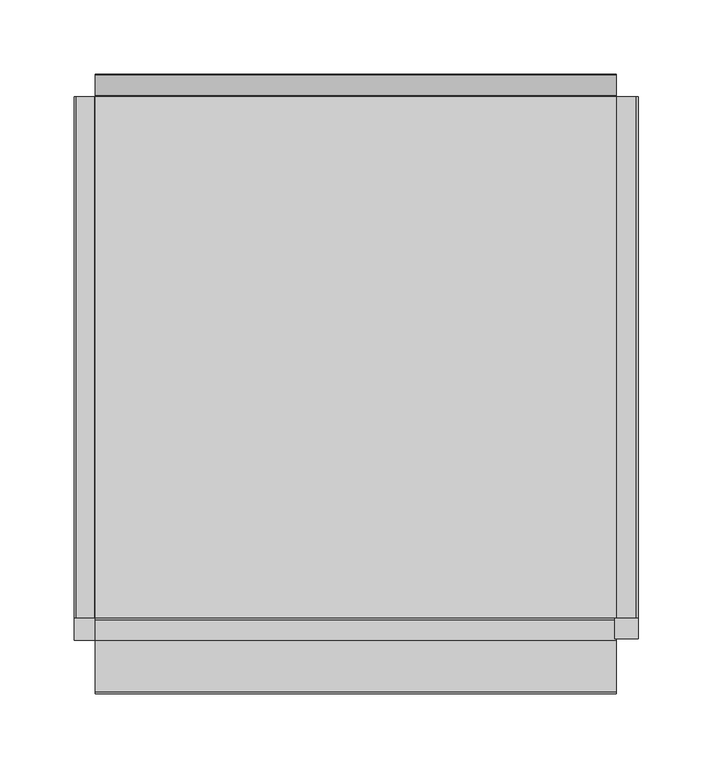
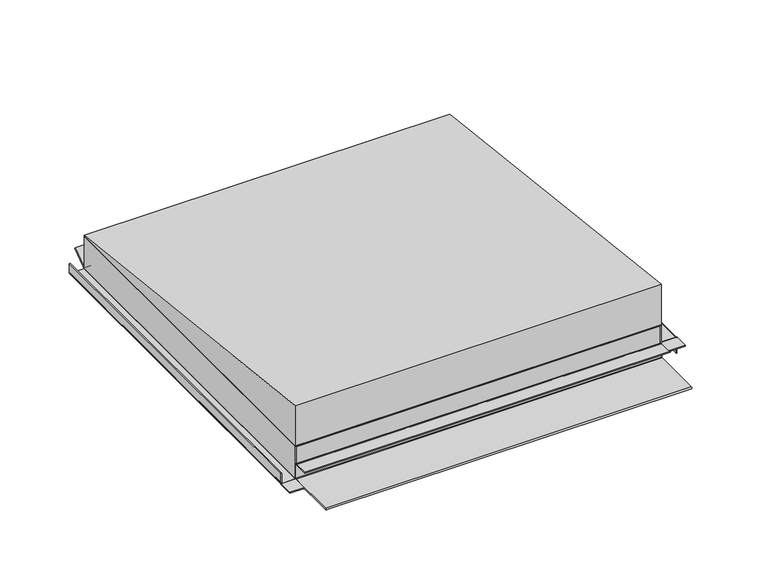
"""IFC4 building model written with IfcOpenShell, lengths in millimetres: proxy geometry."""

from ifc_helpers import new_model, si_unit, point, frame, frame_2d, origin, place, context, project, spatial, polyline, circle_curve, trimmed, segment, composite_curve, outline, extrude, faceted_brep, source, transform, mapped, element, save
from ifc_brep_helpers import plane_surface, cylinder_surface, revolved_surface, advanced_brep


def generic_models_57ceeb4e(model_context):
    return source(origin(), model_context, "Body", "SolidModel", [
        extrude(outline(composite_curve([segment(polyline([(0.33125, -187.7), (0.33125, -175.5)]), True, "CONTINUOUS"), segment(trimmed(circle_curve(frame_2d((1.63125, -175.5)), 1.3), [point((0.33125, -175.5))], [point((1.63125, -174.2))], False, "CARTESIAN"), True, "CONTINUOUS"), segment(polyline([(1.63125, -174.2), (33.33125, -174.2), (33.33125, -175.0), (1.63125, -175.0)]), True, "CONTINUOUS"), segment(trimmed(circle_curve(frame_2d((1.63125, -175.5)), 0.5), [point((1.63125, -175.0))], [point((1.13125, -175.5))], True, "CARTESIAN"), True, "CONTINUOUS"), segment(polyline([(1.13125, -175.5), (1.13125, -187.7)]), True, "CONTINUOUS"), segment(trimmed(circle_curve(frame_2d((1.63125, -187.7)), 0.5), [point((1.13125, -187.7))], [point((1.63125, -188.2))], True, "CARTESIAN"), True, "CONTINUOUS"), segment(polyline([(1.63125, -188.2), (11.33125, -188.2), (11.33125, -189.0), (1.63125, -189.0)]), True, "CONTINUOUS"), segment(trimmed(circle_curve(frame_2d((1.63125, -187.7)), 1.3), [point((1.63125, -189.0))], [point((0.33125, -187.7))], False, "CARTESIAN"), True, "CONTINUOUS")], self_intersect=False)), frame((0.0, -175.0, 0.0), z_axis=(0.0, 1.0, 0.0), x_axis=(0.0, 0.0, 1.0)), (0.0, 0.0, 1.0), 350.0),
        extrude(outline(polyline([(-189.0, -190.0), (-189.0, -175.0), (-174.2, -175.0), (-174.2, -190.0), (-189.0, -190.0)])), frame((0.0, 0.0, 0.33125), z_axis=(0.0, 0.0, 1.0), x_axis=(1.0, 0.0, 0.0)), (0.0, 0.0, 1.0), 0.8),
        extrude(outline(composite_curve([segment(polyline([(15.9, 175.5), (15.9, 188.7)]), True, "CONTINUOUS"), segment(trimmed(circle_curve(frame_2d((15.4, 188.7)), 0.5), [point((15.9, 188.7))], [point((15.4, 189.2))], True, "CARTESIAN"), True, "CONTINUOUS"), segment(polyline([(15.4, 189.2), (0.33125, 189.2), (0.33125, 190.0), (15.4, 190.0)]), True, "CONTINUOUS"), segment(trimmed(circle_curve(frame_2d((15.4, 188.7)), 1.3), [point((15.4, 190.0))], [point((16.7, 188.7))], False, "CARTESIAN"), True, "CONTINUOUS"), segment(polyline([(16.7, 188.7), (16.7, 175.5)]), True, "CONTINUOUS"), segment(trimmed(circle_curve(frame_2d((17.2, 175.5)), 0.5), [point((16.7, 175.5))], [point((17.2, 175.0))], True, "CARTESIAN"), True, "CONTINUOUS"), segment(polyline([(17.2, 175.0), (33.33125, 175.0), (33.33125, 174.2), (17.2, 174.2)]), True, "CONTINUOUS"), segment(trimmed(circle_curve(frame_2d((17.2, 175.5)), 1.3), [point((17.2, 174.2))], [point((15.9, 175.5))], False, "CARTESIAN"), True, "CONTINUOUS")], self_intersect=False)), frame((0.0, -175.0, 0.0), z_axis=(0.0, 1.0, 0.0), x_axis=(0.0, 0.0, 1.0)), (0.0, 0.0, 1.0), 350.0),
        extrude(outline(polyline([(190.0, -189.0), (174.2, -189.0), (174.2, -175.0), (190.0, -175.0), (190.0, -189.0)])), frame((0.0, 0.0, 15.9), z_axis=(0.0, 0.0, 1.0), x_axis=(1.0, 0.0, 0.0)), (0.0, 0.0, 1.0), 0.8),
        extrude(outline(composite_curve([segment(polyline([(-175.5, 0.0), (-225.15, 0.0)]), True, "CONTINUOUS"), segment(trimmed(circle_curve(frame_2d((-225.15, 0.85)), 0.85), [point((-225.15, 0.0))], [point((-225.15, 1.7))], False, "CARTESIAN"), True, "CONTINUOUS"), segment(polyline([(-225.15, 1.7), (-176.55, 1.7)]), True, "CONTINUOUS"), segment(trimmed(circle_curve(frame_2d((-176.55, 2.2)), 0.5), [point((-176.55, 1.7))], [point((-176.05, 2.2))], True, "CARTESIAN"), True, "CONTINUOUS"), segment(polyline([(-176.05, 2.2), (-176.05, 15.4)]), True, "CONTINUOUS"), segment(trimmed(circle_curve(frame_2d((-176.55, 15.4)), 0.5), [point((-176.05, 15.4))], [point((-176.55, 15.9))], True, "CARTESIAN"), True, "CONTINUOUS"), segment(polyline([(-176.55, 15.9), (-190.25, 15.9), (-190.25, 16.7), (-176.55, 16.7)]), True, "CONTINUOUS"), segment(trimmed(circle_curve(frame_2d((-176.55, 15.4)), 1.3), [point((-176.55, 16.7))], [point((-175.25, 15.4))], False, "CARTESIAN"), True, "CONTINUOUS"), segment(polyline([(-175.25, 15.4), (-175.25, 2.2)]), True, "CONTINUOUS"), segment(trimmed(circle_curve(frame_2d((-176.55, 2.2)), 1.3), [point((-175.25, 2.2))], [point((-176.55, 0.9))], False, "CARTESIAN"), True, "CONTINUOUS"), segment(polyline([(-176.55, 0.9), (-215.65, 0.9), (-175.5, 0.8)]), True, "CONTINUOUS"), segment(trimmed(circle_curve(frame_2d((-175.5, 1.3)), 0.5), [point((-175.5, 0.8))], [point((-175.0, 1.3))], True, "CARTESIAN"), True, "CONTINUOUS"), segment(polyline([(-175.0, 1.3), (-175.0, 33.0), (-174.2, 33.0), (-174.2, 1.3)]), True, "CONTINUOUS"), segment(trimmed(circle_curve(frame_2d((-175.5, 1.3)), 1.3), [point((-174.2, 1.3))], [point((-175.5, 0.0))], False, "CARTESIAN"), True, "CONTINUOUS")], self_intersect=False)), frame((-175.0, 0.0, 0.0), z_axis=(1.0, 0.0, 0.0), x_axis=(0.0, 1.0, 0.0)), (0.0, 0.0, 1.0), 350.0),
        advanced_brep(
        [(175.0, 175.0, 3.3), (175.0, 175.0, 33.0), (175.0, 174.2, 33.0), (175.0, 174.2, 3.3), (175.0, 176.4200663, 2.3815894), (175.0, 190.1302674, 12.712967), (175.0, 189.6488154, 13.3518754), (175.0, 175.8830222, 2.9786062), (-175.0, 175.0, 3.3), (-175.0, 175.8830222, 2.9786062), (-175.0, 189.6488154, 13.3518754), (-175.0, 190.1302674, 12.712967), (-175.0, 176.3644742, 2.3396978), (-175.0, 174.2, 3.3), (-175.0, 174.2, 33.0), (-175.0, 175.0, 33.0)],
        [
            (0, 1),
            (1, 2),
            (2, 3),
            (3, 4, circle_curve(frame((175.0, 175.5, 3.3), z_axis=(1.0, 0.0, 0.0), x_axis=(0.0, 1.0, 0.0)), 1.3)),
            (4, 5),
            (5, 6),
            (6, 7),
            (7, 0, circle_curve(frame((175.0, 175.5, 3.3), z_axis=(-1.0, 0.0, 0.0), x_axis=(0.0, 1.0, 0.0)), 0.5)),
            (8, 9, circle_curve(frame((-175.0, 175.5, 3.3), z_axis=(1.0, 0.0, 0.0), x_axis=(0.0, 1.0, 0.0)), 0.5)),
            (9, 10),
            (10, 11),
            (11, 12),
            (12, 13, circle_curve(frame((-175.0, 175.5, 3.3), z_axis=(-1.0, 0.0, 0.0), x_axis=(0.0, 1.0, 0.0)), 1.3)),
            (13, 14),
            (14, 15),
            (15, 8),
            (0, 8),
            (15, 1),
            (7, 9),
            (6, 10),
            (3, 13),
            (12, 4),
            (2, 14),
            (5, 11),
        ],
        [
            plane_surface(frame((175.0, 176.0, 3.3), z_axis=(1.0, 0.0, 0.0), x_axis=(0.0, 0.0, 1.0))),
            plane_surface(frame((-175.0, 176.0, 3.3), z_axis=(-1.0, 0.0, 0.0), x_axis=(0.0, 0.0, -1.0))),
            plane_surface(frame((175.0, 175.0, 33.0), z_axis=(0.0, 1.0, 0.0), x_axis=(-1.0, 0.0, 0.0))),
            revolved_surface(polyline([(-175.0, 176.0, 3.3), (175.0, 176.0, 3.3)]), (-175.0, 175.5, 3.3), (-1.0, 0.0, 0.0)),
            plane_surface(frame((175.0, 175.8830222, 2.9786062), z_axis=(0.0, -0.6018150231519699, 0.798635510047352), x_axis=(-1.0, 0.0, 0.0))),
            cylinder_surface(frame((-175.0, 175.5, 3.3), z_axis=(1.0, 0.0, 0.0), x_axis=(0.0, 1.0, 0.0)), 1.3),
            plane_surface(frame((175.0, 174.2, 3.3), z_axis=(0.0, -1.0, 0.0), x_axis=(-1.0, 0.0, 0.0))),
            plane_surface(frame((175.0, 174.2, 33.0), z_axis=(0.0, 0.0, 1.0), x_axis=(-1.0, 0.0, 0.0))),
            plane_surface(frame((175.0, 189.6488154, 13.3518754), z_axis=(0.0, 0.798635510047358, 0.6018150231519618), x_axis=(-1.0, 0.0, 0.0))),
            plane_surface(frame((175.0, 190.1302674, 12.712967), z_axis=(0.0, 0.6018150231519698, -0.798635510047352), x_axis=(-1.0, 0.0, 0.0))),
        ],
        [
            (0, [[1, 2, 3, 4, 5, 6, 7, 8]]),
            (1, [[9, 10, 11, 12, 13, 14, 15, 16]]),
            (2, [[17, -16, 18, -1]]),
            (3, [[19, -9, -17, -8]]),
            (4, [[20, -10, -19, -7]]),
            (5, [[21, -13, 22, -4]]),
            (6, [[23, -14, -21, -3]]),
            (7, [[-18, -15, -23, -2]]),
            (8, [[24, -11, -20, -6]]),
            (9, [[-22, -12, -24, -5]]),
        ],
    ),
        faceted_brep([(-175.0, -175.0, 34.0), (175.0, -175.0, 34.0), (175.0, 175.0, 34.0), (-175.0, 175.0, 34.0), (-175.0, -175.0, 33.0), (-175.0, -174.2, 33.0), (-175.0, 175.0, 33.0), (175.0, 175.0, 33.0), (175.0, -174.2, 33.0), (175.0, -175.0, 33.0)], [[[0, 1, 2, 3]], [[4, 5, 6, 7, 8, 9]], [[3, 6, 5, 4, 0]], [[2, 7, 6, 3]], [[1, 9, 8, 7, 2]], [[0, 4, 9, 1]]]),
        extrude(outline(polyline([(-175.0, 33.8), (-175.0, 75.0), (175.0, 35.0), (175.0, 33.8), (-175.0, 33.8)])), frame((-175.0, 0.0, 0.0), z_axis=(1.0, 0.0, 0.0), x_axis=(0.0, 1.0, 0.0)), (0.0, 0.0, 1.0), 350.0),
    ])


if __name__ == "__main__":
    model = new_model("IFC4")
    model_context = context("Model", 3, world=origin())
    ifc_project = project(units=[si_unit("LENGTHUNIT", "METRE", prefix="MILLI")], contexts=[model_context])
    site = spatial("IfcSite", under=ifc_project)
    building = spatial("IfcBuilding", under=site)
    placement = place(None, origin())
    generic_models_shape = generic_models_57ceeb4e(model_context)
    element("IfcBuildingElementProxy", 1, Name="Generic Models", at=placement, inside=building, context=model_context, shape_type="MappedRepresentation", body=[
        mapped(generic_models_shape, transform((0.0, 0.0, 0.0), x_axis=(1.0, 0.0, 0.0), y_axis=(0.0, 1.0, 0.0), z_axis=(0.0, 0.0, 1.0))),
    ])
    save(model, "model.ifc")
